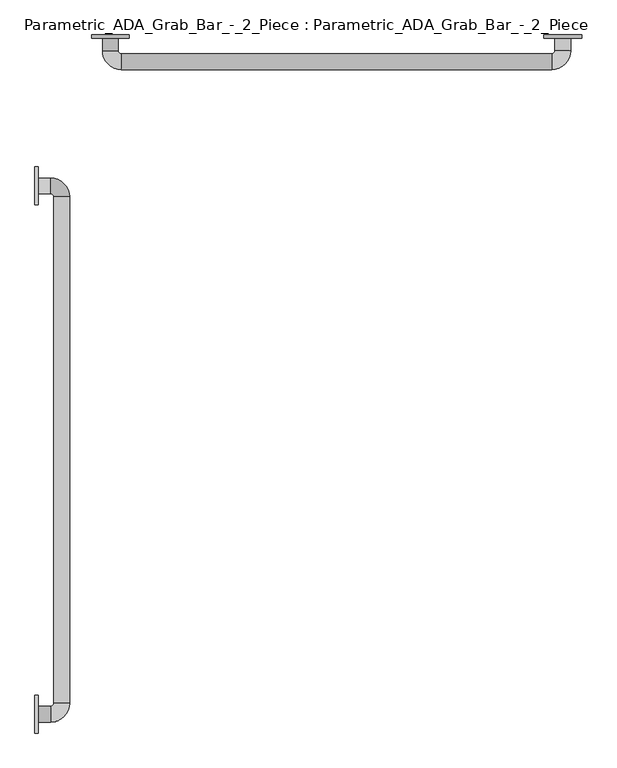
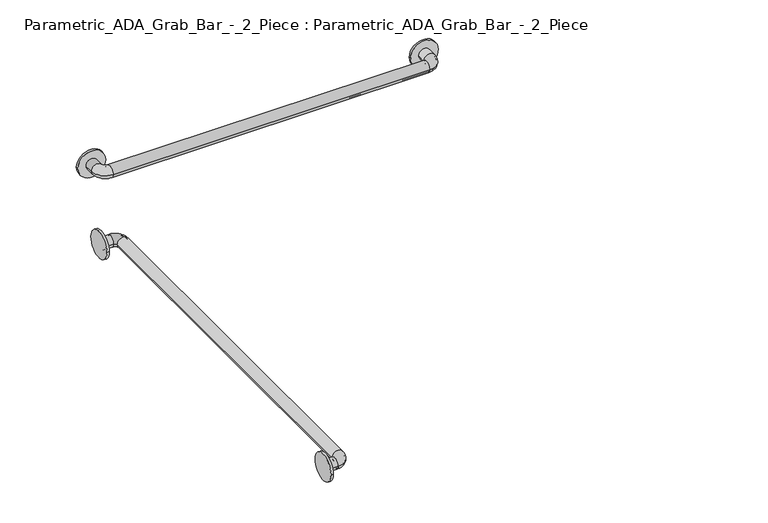
"""IFC4 building model written with IfcOpenShell, lengths in millimetres: proxy geometry, Parametric_ADA_Grab_Bar_-_2_Piece : Parametric_ADA_Grab_Bar_-_2_Piece."""

from ifc_helpers import new_model, si_unit, point, frame, frame_2d, origin, place, context, project, spatial, polyline, circle_curve, ellipse_curve, trimmed, segment, composite_curve, outline, extrude, source, transform, mapped, element, save
from ifc_brep_helpers import plane_surface, cylinder_surface, revolved_surface, advanced_brep


def parametric_ada_grab_bar_2_piece_parametric_ada_grab_bar_2_c1072e23(model_context):
    return source(origin(), model_context, "Body", "SolidModel", [
        advanced_brep(
        [(6.35, -1447.8, 838.2), (6.35, -1479.55, 838.2), (6.35, -1450.975, 838.2), (6.35, -1476.375, 838.2), (31.75, -1479.55, 838.2), (31.75, -1447.8, 838.2), (31.75, -1476.375, 838.2), (31.75, -1450.975, 838.2), (69.85, -1441.45, 838.2), (38.1, -1441.45, 838.2), (66.675, -1441.45, 838.2), (41.275, -1441.45, 838.2), (69.85, -419.1, 838.2), (38.1, -419.1, 838.2), (66.675, -419.1, 838.2), (41.275, -419.1, 838.2), (31.75, -381.0, 838.2), (31.75, -412.75, 838.2), (31.75, -384.175, 838.2), (31.75, -409.575, 838.2), (6.35, -412.75, 838.2), (6.35, -381.0, 838.2), (6.35, -409.575, 838.2), (6.35, -384.175, 838.2)],
        [
            (0, 1, circle_curve(frame((6.35, -1463.675, 838.2), z_axis=(-1.0, 0.0, 0.0), x_axis=(0.0, -1.0, 0.0)), 15.875)),
            (1, 0, circle_curve(frame((6.35, -1463.675, 838.2), z_axis=(-1.0, 0.0, 0.0), x_axis=(0.0, -1.0, 0.0)), 15.875)),
            (2, 3, circle_curve(frame((6.35, -1463.675, 838.2), z_axis=(1.0, 0.0, 0.0), x_axis=(0.0, -1.0, 0.0)), 12.7)),
            (3, 2, circle_curve(frame((6.35, -1463.675, 838.2), z_axis=(1.0, 0.0, 0.0), x_axis=(0.0, -1.0, 0.0)), 12.7)),
            (1, 4),
            (4, 5, circle_curve(frame((31.75, -1463.675, 838.2), z_axis=(-1.0, 0.0, 0.0), x_axis=(0.0, -1.0, 0.0)), 15.875)),
            (5, 0),
            (5, 4, circle_curve(frame((31.75, -1463.675, 838.2), z_axis=(-1.0, 0.0, 0.0), x_axis=(0.0, -1.0, 0.0)), 15.875)),
            (3, 6),
            (6, 7, circle_curve(frame((31.75, -1463.675, 838.2), z_axis=(1.0, 0.0, 0.0), x_axis=(0.0, -1.0, 0.0)), 12.7)),
            (7, 2),
            (7, 6, circle_curve(frame((31.75, -1463.675, 838.2), z_axis=(1.0, 0.0, 0.0), x_axis=(0.0, -1.0, 0.0)), 12.7)),
            (8, 9, circle_curve(frame((53.975, -1441.45, 838.2), z_axis=(0.0, -1.0, 0.0), x_axis=(1.0, 0.0, 0.0)), 15.875)),
            (9, 5, circle_curve(frame((31.75, -1441.45, 838.2), z_axis=(0.0, 0.0, -1.0), x_axis=(0.0, -1.0, 0.0)), 6.35)),
            (4, 8, circle_curve(frame((31.75, -1441.45, 838.2), z_axis=(0.0, 0.0, 1.0), x_axis=(0.0, -1.0, 0.0)), 38.1)),
            (9, 8, circle_curve(frame((53.975, -1441.45, 838.2), z_axis=(0.0, -1.0, 0.0), x_axis=(1.0, 0.0, 0.0)), 15.875)),
            (10, 11, circle_curve(frame((53.975, -1441.45, 838.2), z_axis=(0.0, 1.0, 0.0), x_axis=(1.0, 0.0, 0.0)), 12.7)),
            (11, 7, circle_curve(frame((31.75, -1441.45, 838.2), z_axis=(0.0, 0.0, -1.0), x_axis=(0.0, -1.0, 0.0)), 9.525)),
            (6, 10, circle_curve(frame((31.75, -1441.45, 838.2), z_axis=(0.0, 0.0, 1.0), x_axis=(0.0, -1.0, 0.0)), 34.925)),
            (11, 10, circle_curve(frame((53.975, -1441.45, 838.2), z_axis=(0.0, 1.0, 0.0), x_axis=(1.0, 0.0, 0.0)), 12.7)),
            (8, 12),
            (12, 13, circle_curve(frame((53.975, -419.1, 838.2), z_axis=(0.0, -1.0, 0.0), x_axis=(1.0, 0.0, 0.0)), 15.875)),
            (13, 9),
            (13, 12, circle_curve(frame((53.975, -419.1, 838.2), z_axis=(0.0, -1.0, 0.0), x_axis=(1.0, 0.0, 0.0)), 15.875)),
            (10, 14),
            (14, 15, circle_curve(frame((53.975, -419.1, 838.2), z_axis=(0.0, 1.0, 0.0), x_axis=(1.0, 0.0, 0.0)), 12.7)),
            (15, 11),
            (15, 14, circle_curve(frame((53.975, -419.1, 838.2), z_axis=(0.0, 1.0, 0.0), x_axis=(1.0, 0.0, 0.0)), 12.7)),
            (16, 17, circle_curve(frame((31.75, -396.875, 838.2), z_axis=(1.0, 0.0, 0.0), x_axis=(0.0, 1.0, 0.0)), 15.875)),
            (17, 13, circle_curve(frame((31.75, -419.1, 838.2), z_axis=(0.0, 0.0, -1.0), x_axis=(1.0, 0.0, 0.0)), 6.35)),
            (12, 16, circle_curve(frame((31.75, -419.1, 838.2), z_axis=(0.0, 0.0, 1.0), x_axis=(1.0, 0.0, 0.0)), 38.1)),
            (17, 16, circle_curve(frame((31.75, -396.875, 838.2), z_axis=(1.0, 1.0750558599521398e-12, 0.0), x_axis=(-1.0750558599521398e-12, 1.0, 0.0)), 15.875)),
            (18, 19, circle_curve(frame((31.75, -396.875, 838.2), z_axis=(-1.0, 0.0, 0.0), x_axis=(0.0, 1.0, 0.0)), 12.7)),
            (19, 15, circle_curve(frame((31.75, -419.1, 838.2), z_axis=(0.0, 0.0, -1.0), x_axis=(1.0, 0.0, 0.0)), 9.525)),
            (14, 18, circle_curve(frame((31.75, -419.1, 838.2), z_axis=(0.0, 0.0, 1.0), x_axis=(1.0, 0.0, 0.0)), 34.925)),
            (19, 18, circle_curve(frame((31.75, -396.875, 838.2), z_axis=(-1.0, 0.0, 0.0), x_axis=(0.0, 1.0, 0.0)), 12.7)),
            (20, 21, circle_curve(frame((6.35, -396.875, 838.2), z_axis=(-1.0, 0.0, 0.0), x_axis=(0.0, 1.0, 0.0)), 15.875)),
            (21, 20, circle_curve(frame((6.35, -396.875, 838.2), z_axis=(-1.0, 0.0, 0.0), x_axis=(0.0, 1.0, 0.0)), 15.875)),
            (22, 23, circle_curve(frame((6.35, -396.875, 838.2), z_axis=(1.0, 0.0, 0.0), x_axis=(0.0, 1.0, 0.0)), 12.7)),
            (23, 22, circle_curve(frame((6.35, -396.875, 838.2), z_axis=(1.0, 0.0, 0.0), x_axis=(0.0, 1.0, 0.0)), 12.7)),
            (16, 21),
            (20, 17),
            (18, 23),
            (22, 19),
        ],
        [
            plane_surface(frame((6.35, -1463.675, 838.2), z_axis=(-1.0, 0.0, 0.0), x_axis=(0.0, 0.0, 1.0))),
            cylinder_surface(frame((6.35, -1463.675, 838.2), z_axis=(-1.0, 0.0, 0.0), x_axis=(0.0, -1.0, 0.0)), 15.875),
            revolved_surface(polyline([(31.75, -1476.375, 838.2), (6.35, -1476.375, 838.2)]), (6.35, -1463.675, 838.2), (1.0, 0.0, 0.0)),
            revolved_surface(trimmed(ellipse_curve(frame((31.75, -1463.675, 838.2), z_axis=(1.0, 0.0, 0.0), x_axis=(0.0, -1.0, 0.0)), 15.875, 15.875), [point((31.75, -1447.8, 838.2))], [point((31.75, -1479.55, 838.2))], True, "CARTESIAN"), (31.75, -1441.45, 838.2), (0.0, 0.0, -1.0)),
            revolved_surface(trimmed(ellipse_curve(frame((31.75, -1463.675, 838.2), z_axis=(1.0, 0.0, 0.0), x_axis=(0.0, -1.0, 0.0)), 15.875, 15.875), [point((31.75, -1479.55, 838.2))], [point((31.75, -1447.8, 838.2))], True, "CARTESIAN"), (31.75, -1441.45, 838.2), (0.0, 0.0, -1.0)),
            revolved_surface(trimmed(ellipse_curve(frame((31.75, -1463.675, 838.2), z_axis=(-1.0, 0.0, 0.0), x_axis=(0.0, -1.0, 0.0)), 12.7, 12.7), [point((31.75, -1450.975, 838.2))], [point((31.75, -1476.375, 838.2))], True, "CARTESIAN"), (31.75, -1441.45, 838.2), (0.0, 0.0, -1.0)),
            revolved_surface(trimmed(ellipse_curve(frame((31.75, -1463.675, 838.2), z_axis=(-1.0, 0.0, 0.0), x_axis=(0.0, -1.0, 0.0)), 12.7, 12.7), [point((31.75, -1476.375, 838.2))], [point((31.75, -1450.975, 838.2))], True, "CARTESIAN"), (31.75, -1441.45, 838.2), (0.0, 0.0, -1.0)),
            cylinder_surface(frame((53.975, -1441.45, 838.2), z_axis=(0.0, -1.0, 0.0), x_axis=(1.0, 0.0, 0.0)), 15.875),
            revolved_surface(polyline([(66.675, -419.1, 838.2), (66.675, -1441.45, 838.2)]), (53.975, -1441.45, 838.2), (0.0, 1.0, 0.0)),
            revolved_surface(trimmed(ellipse_curve(frame((53.975, -419.1, 838.2), z_axis=(0.0, 1.0, 0.0), x_axis=(1.0, 0.0, 0.0)), 15.875, 15.875), [point((38.1, -419.1, 838.2))], [point((69.85, -419.1, 838.2))], True, "CARTESIAN"), (31.75, -419.1, 838.2), (0.0, 0.0, -1.0)),
            revolved_surface(trimmed(ellipse_curve(frame((53.975, -419.1, 838.2), z_axis=(0.0, 1.0, 0.0), x_axis=(1.0, 0.0, 0.0)), 15.875, 15.875), [point((69.85, -419.1, 838.2))], [point((38.1, -419.1, 838.2))], True, "CARTESIAN"), (31.75, -419.1, 838.2), (0.0, 0.0, -1.0)),
            revolved_surface(trimmed(ellipse_curve(frame((53.975, -419.1, 838.2), z_axis=(0.0, -1.0, 0.0), x_axis=(1.0, 0.0, 0.0)), 12.7, 12.7), [point((41.275, -419.1, 838.2))], [point((66.675, -419.1, 838.2))], True, "CARTESIAN"), (31.75, -419.1, 838.2), (0.0, 0.0, -1.0)),
            revolved_surface(trimmed(ellipse_curve(frame((53.975, -419.1, 838.2), z_axis=(0.0, -1.0, 0.0), x_axis=(1.0, 0.0, 0.0)), 12.7, 12.7), [point((66.675, -419.1, 838.2))], [point((41.275, -419.1, 838.2))], True, "CARTESIAN"), (31.75, -419.1, 838.2), (0.0, 0.0, -1.0)),
            plane_surface(frame((6.35, -396.875, 838.2), z_axis=(-1.0, 0.0, 0.0), x_axis=(0.0, 0.0, 1.0))),
            cylinder_surface(frame((31.75, -396.875, 838.2), z_axis=(1.0, 0.0, 0.0), x_axis=(0.0, 1.0, 0.0)), 15.875),
            revolved_surface(polyline([(6.350000000000001, -384.175, 838.2), (31.75, -384.175, 838.2)]), (31.75, -396.875, 838.2), (-1.0, 0.0, 0.0)),
        ],
        [
            (0, [[1, 2], [3, 4]]),
            (1, [[5, 6, 7, -2]]),
            (1, [[-7, 8, -5, -1]]),
            (2, [[9, 10, 11, -4]]),
            (2, [[-11, 12, -9, -3]]),
            (3, [[13, 14, -6, 15]]),
            (4, [[16, -15, -8, -14]]),
            (5, [[17, 18, -10, 19]]),
            (6, [[20, -19, -12, -18]]),
            (7, [[21, 22, 23, -13]]),
            (7, [[-23, 24, -21, -16]]),
            (8, [[25, 26, 27, -17]]),
            (8, [[-27, 28, -25, -20]]),
            (9, [[29, 30, -22, 31]]),
            (10, [[32, -31, -24, -30]]),
            (11, [[33, 34, -26, 35]]),
            (12, [[36, -35, -28, -34]]),
            (13, [[37, 38], [39, 40]]),
            (14, [[41, -37, 42, -29]]),
            (14, [[-42, -38, -41, -32]]),
            (15, [[43, -39, 44, -33]]),
            (15, [[-44, -40, -43, -36]]),
        ],
    ),
        advanced_brep(
        [(168.275, -98.425, 838.2), (136.525, -98.425, 838.2), (165.1, -98.425, 838.2), (139.7, -98.425, 838.2), (136.525, -123.825, 838.2), (168.275, -123.825, 838.2), (139.7, -123.825, 838.2), (165.1, -123.825, 838.2), (174.625, -161.925, 838.2), (174.625, -130.175, 838.2), (174.625, -158.75, 838.2), (174.625, -133.35, 838.2), (1044.575, -161.925, 838.2), (1044.575, -130.175, 838.2), (1044.575, -158.75, 838.2), (1044.575, -133.35, 838.2), (1082.675, -123.825, 838.2), (1050.925, -123.825, 838.2), (1079.5, -123.825, 838.2), (1054.1, -123.825, 838.2), (1050.925, -98.425, 838.2), (1082.675, -98.425, 838.2), (1054.1, -98.425, 838.2), (1079.5, -98.425, 838.2)],
        [
            (0, 1, circle_curve(frame((152.4, -98.425, 838.2), z_axis=(0.0, 1.0, 0.0), x_axis=(-1.0, 0.0, 0.0)), 15.875)),
            (1, 0, circle_curve(frame((152.4, -98.425, 838.2), z_axis=(0.0, 1.0, 0.0), x_axis=(-1.0, 0.0, 0.0)), 15.875)),
            (2, 3, circle_curve(frame((152.4, -98.425, 838.2), z_axis=(0.0, -1.0, 0.0), x_axis=(-1.0, 0.0, 0.0)), 12.7)),
            (3, 2, circle_curve(frame((152.4, -98.425, 838.2), z_axis=(0.0, -1.0, 0.0), x_axis=(-1.0, 0.0, 0.0)), 12.7)),
            (1, 4),
            (4, 5, circle_curve(frame((152.4, -123.825, 838.2), z_axis=(0.0, 1.0, 0.0), x_axis=(-1.0, 0.0, 0.0)), 15.875)),
            (5, 0),
            (5, 4, circle_curve(frame((152.4, -123.825, 838.2), z_axis=(0.0, 1.0, 0.0), x_axis=(-1.0, 0.0, 0.0)), 15.875)),
            (3, 6),
            (6, 7, circle_curve(frame((152.4, -123.825, 838.2), z_axis=(0.0, -1.0, 0.0), x_axis=(-1.0, 0.0, 0.0)), 12.7)),
            (7, 2),
            (7, 6, circle_curve(frame((152.4, -123.825, 838.2), z_axis=(0.0, -1.0, 0.0), x_axis=(-1.0, 0.0, 0.0)), 12.7)),
            (8, 9, circle_curve(frame((174.625, -146.05, 838.2), z_axis=(-1.0, 0.0, 0.0), x_axis=(0.0, -1.0, 0.0)), 15.875)),
            (9, 5, circle_curve(frame((174.625, -123.825, 838.2), z_axis=(0.0, 0.0, -1.0), x_axis=(-1.0, 0.0, 0.0)), 6.35)),
            (4, 8, circle_curve(frame((174.625, -123.825, 838.2), z_axis=(0.0, 0.0, 1.0), x_axis=(-1.0, 0.0, 0.0)), 38.1)),
            (9, 8, circle_curve(frame((174.625, -146.05, 838.2), z_axis=(-1.0, 0.0, 0.0), x_axis=(0.0, -1.0, 0.0)), 15.875)),
            (10, 11, circle_curve(frame((174.625, -146.05, 838.2), z_axis=(1.0, 0.0, 0.0), x_axis=(0.0, -1.0, 0.0)), 12.7)),
            (11, 7, circle_curve(frame((174.625, -123.825, 838.2), z_axis=(0.0, 0.0, -1.0), x_axis=(-1.0, 0.0, 0.0)), 9.525)),
            (6, 10, circle_curve(frame((174.625, -123.825, 838.2), z_axis=(0.0, 0.0, 1.0), x_axis=(-1.0, 0.0, 0.0)), 34.925)),
            (11, 10, circle_curve(frame((174.625, -146.05, 838.2), z_axis=(1.0, 0.0, 0.0), x_axis=(0.0, -1.0, 0.0)), 12.7)),
            (8, 12),
            (12, 13, circle_curve(frame((1044.575, -146.05, 838.2), z_axis=(-1.0, 0.0, 0.0), x_axis=(0.0, -1.0, 0.0)), 15.875)),
            (13, 9),
            (13, 12, circle_curve(frame((1044.575, -146.05, 838.2), z_axis=(-1.0, 0.0, 0.0), x_axis=(0.0, -1.0, 0.0)), 15.875)),
            (10, 14),
            (14, 15, circle_curve(frame((1044.575, -146.05, 838.2), z_axis=(1.0, 0.0, 0.0), x_axis=(0.0, -1.0, 0.0)), 12.7)),
            (15, 11),
            (15, 14, circle_curve(frame((1044.575, -146.05, 838.2), z_axis=(1.0, 0.0, 0.0), x_axis=(0.0, -1.0, 0.0)), 12.7)),
            (16, 17, circle_curve(frame((1066.8, -123.825, 838.2), z_axis=(0.0, -1.0, 0.0), x_axis=(1.0, 0.0, 0.0)), 15.875)),
            (17, 13, circle_curve(frame((1044.575, -123.825, 838.2), z_axis=(0.0, 0.0, -1.0), x_axis=(0.0, -1.0, 0.0)), 6.35)),
            (12, 16, circle_curve(frame((1044.575, -123.825, 838.2), z_axis=(0.0, 0.0, 1.0), x_axis=(0.0, -1.0, 0.0)), 38.1)),
            (17, 16, circle_curve(frame((1066.8, -123.825, 838.2), z_axis=(1.0770542613964651e-12, -1.0, 0.0), x_axis=(1.0, 1.0770542613964651e-12, 0.0)), 15.875)),
            (18, 19, circle_curve(frame((1066.8, -123.825, 838.2), z_axis=(0.0, 1.0, 0.0), x_axis=(1.0, 0.0, 0.0)), 12.7)),
            (19, 15, circle_curve(frame((1044.575, -123.825, 838.2), z_axis=(0.0, 0.0, -1.0), x_axis=(0.0, -1.0, 0.0)), 9.525)),
            (14, 18, circle_curve(frame((1044.575, -123.825, 838.2), z_axis=(0.0, 0.0, 1.0), x_axis=(0.0, -1.0, 0.0)), 34.925)),
            (19, 18, circle_curve(frame((1066.8, -123.825, 838.2), z_axis=(0.0, 1.0, 0.0), x_axis=(1.0, 0.0, 0.0)), 12.7)),
            (20, 21, circle_curve(frame((1066.8, -98.425, 838.2), z_axis=(0.0, 1.0, 0.0), x_axis=(1.0, 0.0, 0.0)), 15.875)),
            (21, 20, circle_curve(frame((1066.8, -98.425, 838.2), z_axis=(0.0, 1.0, 0.0), x_axis=(1.0, 0.0, 0.0)), 15.875)),
            (22, 23, circle_curve(frame((1066.8, -98.425, 838.2), z_axis=(0.0, -1.0, 0.0), x_axis=(1.0, 0.0, 0.0)), 12.7)),
            (23, 22, circle_curve(frame((1066.8, -98.425, 838.2), z_axis=(0.0, -1.0, 0.0), x_axis=(1.0, 0.0, 0.0)), 12.7)),
            (16, 21),
            (20, 17),
            (18, 23),
            (22, 19),
        ],
        [
            plane_surface(frame((152.4, -98.425, 838.2), z_axis=(0.0, 1.0, 0.0), x_axis=(0.0, 0.0, 1.0))),
            cylinder_surface(frame((152.4, -98.425, 838.2), z_axis=(0.0, 1.0, 0.0), x_axis=(-1.0, 0.0, 0.0)), 15.875),
            revolved_surface(polyline([(139.70000000000002, -123.825, 838.2), (139.70000000000002, -98.425, 838.2)]), (152.4, -98.425, 838.2), (0.0, -1.0, 0.0)),
            revolved_surface(trimmed(ellipse_curve(frame((152.4, -123.825, 838.2), z_axis=(0.0, -1.0, 0.0), x_axis=(-1.0, 0.0, 0.0)), 15.875, 15.875), [point((168.275, -123.825, 838.2))], [point((136.525, -123.825, 838.2))], True, "CARTESIAN"), (174.625, -123.825, 838.2), (0.0, 0.0, -1.0)),
            revolved_surface(trimmed(ellipse_curve(frame((152.4, -123.825, 838.2), z_axis=(0.0, -1.0, 0.0), x_axis=(-1.0, 0.0, 0.0)), 15.875, 15.875), [point((136.525, -123.825, 838.2))], [point((168.275, -123.825, 838.2))], True, "CARTESIAN"), (174.625, -123.825, 838.2), (0.0, 0.0, -1.0)),
            revolved_surface(trimmed(ellipse_curve(frame((152.4, -123.825, 838.2), z_axis=(0.0, 1.0, 0.0), x_axis=(-1.0, 0.0, 0.0)), 12.7, 12.7), [point((165.1, -123.825, 838.2))], [point((139.7, -123.825, 838.2))], True, "CARTESIAN"), (174.625, -123.825, 838.2), (0.0, 0.0, -1.0)),
            revolved_surface(trimmed(ellipse_curve(frame((152.4, -123.825, 838.2), z_axis=(0.0, 1.0, 0.0), x_axis=(-1.0, 0.0, 0.0)), 12.7, 12.7), [point((139.7, -123.825, 838.2))], [point((165.1, -123.825, 838.2))], True, "CARTESIAN"), (174.625, -123.825, 838.2), (0.0, 0.0, -1.0)),
            cylinder_surface(frame((174.625, -146.05, 838.2), z_axis=(-1.0, 0.0, 0.0), x_axis=(0.0, -1.0, 0.0)), 15.875),
            revolved_surface(polyline([(1044.575, -158.75, 838.2), (174.625, -158.75, 838.2)]), (174.625, -146.05, 838.2), (1.0, 0.0, 0.0)),
            revolved_surface(trimmed(ellipse_curve(frame((1044.575, -146.05, 838.2), z_axis=(1.0, 0.0, 0.0), x_axis=(0.0, -1.0, 0.0)), 15.875, 15.875), [point((1044.575, -130.175, 838.2))], [point((1044.575, -161.925, 838.2))], True, "CARTESIAN"), (1044.575, -123.825, 838.2), (0.0, 0.0, -1.0)),
            revolved_surface(trimmed(ellipse_curve(frame((1044.575, -146.05, 838.2), z_axis=(1.0, 0.0, 0.0), x_axis=(0.0, -1.0, 0.0)), 15.875, 15.875), [point((1044.575, -161.925, 838.2))], [point((1044.575, -130.175, 838.2))], True, "CARTESIAN"), (1044.575, -123.825, 838.2), (0.0, 0.0, -1.0)),
            revolved_surface(trimmed(ellipse_curve(frame((1044.575, -146.05, 838.2), z_axis=(-1.0, 0.0, 0.0), x_axis=(0.0, -1.0, 0.0)), 12.7, 12.7), [point((1044.575, -133.35, 838.2))], [point((1044.575, -158.75, 838.2))], True, "CARTESIAN"), (1044.575, -123.825, 838.2), (0.0, 0.0, -1.0)),
            revolved_surface(trimmed(ellipse_curve(frame((1044.575, -146.05, 838.2), z_axis=(-1.0, 0.0, 0.0), x_axis=(0.0, -1.0, 0.0)), 12.7, 12.7), [point((1044.575, -158.75, 838.2))], [point((1044.575, -133.35, 838.2))], True, "CARTESIAN"), (1044.575, -123.825, 838.2), (0.0, 0.0, -1.0)),
            plane_surface(frame((1066.8, -98.425, 838.2), z_axis=(0.0, 1.0, 0.0), x_axis=(0.0, 0.0, 1.0))),
            cylinder_surface(frame((1066.8, -123.825, 838.2), z_axis=(0.0, -1.0, 0.0), x_axis=(1.0, 0.0, 0.0)), 15.875),
            revolved_surface(polyline([(1079.5, -98.425, 838.2), (1079.5, -123.825, 838.2)]), (1066.8, -123.825, 838.2), (0.0, 1.0, 0.0)),
        ],
        [
            (0, [[1, 2], [3, 4]]),
            (1, [[5, 6, 7, -2]]),
            (1, [[-7, 8, -5, -1]]),
            (2, [[9, 10, 11, -4]]),
            (2, [[-11, 12, -9, -3]]),
            (3, [[13, 14, -6, 15]]),
            (4, [[16, -15, -8, -14]]),
            (5, [[17, 18, -10, 19]]),
            (6, [[20, -19, -12, -18]]),
            (7, [[21, 22, 23, -13]]),
            (7, [[-23, 24, -21, -16]]),
            (8, [[25, 26, 27, -17]]),
            (8, [[-27, 28, -25, -20]]),
            (9, [[29, 30, -22, 31]]),
            (10, [[32, -31, -24, -30]]),
            (11, [[33, 34, -26, 35]]),
            (12, [[36, -35, -28, -34]]),
            (13, [[37, 38], [39, 40]]),
            (14, [[41, -37, 42, -29]]),
            (14, [[-42, -38, -41, -32]]),
            (15, [[43, -39, 44, -33]]),
            (15, [[-44, -40, -43, -36]]),
        ],
    ),
        extrude(outline(composite_curve([segment(trimmed(circle_curve(frame_2d((-396.875, 838.2)), 38.1), [point((-358.775, 838.2))], [point((-434.975, 838.2))], False, "CARTESIAN"), True, "CONTINUOUS"), segment(trimmed(circle_curve(frame_2d((-396.875, 838.2)), 38.1), [point((-434.975, 838.2))], [point((-358.775, 838.2))], False, "CARTESIAN"), True, "CONTINUOUS")], self_intersect=False)), frame((0.0, 0.0, 0.0), z_axis=(1.0, 0.0, 0.0), x_axis=(0.0, 1.0, 0.0)), (0.0, 0.0, 1.0), 6.35),
        extrude(outline(composite_curve([segment(trimmed(circle_curve(frame_2d((-1463.675, 838.2)), 38.1), [point((-1425.575, 838.2))], [point((-1501.775, 838.2))], False, "CARTESIAN"), True, "CONTINUOUS"), segment(trimmed(circle_curve(frame_2d((-1463.675, 838.2)), 38.1), [point((-1501.775, 838.2))], [point((-1425.575, 838.2))], False, "CARTESIAN"), True, "CONTINUOUS")], self_intersect=False)), frame((0.0, 0.0, 0.0), z_axis=(1.0, 0.0, 0.0), x_axis=(0.0, 1.0, 0.0)), (0.0, 0.0, 1.0), 6.35),
        extrude(outline(composite_curve([segment(trimmed(circle_curve(frame_2d((838.2, 1066.8)), 38.1), [point((838.2, 1028.7))], [point((838.2, 1104.9))], False, "CARTESIAN"), True, "CONTINUOUS"), segment(trimmed(circle_curve(frame_2d((838.2, 1066.8)), 38.1), [point((838.2, 1104.9))], [point((838.2, 1028.7))], False, "CARTESIAN"), True, "CONTINUOUS")], self_intersect=False)), frame((0.0, -98.425, 0.0), z_axis=(0.0, 1.0, 0.0), x_axis=(0.0, 0.0, 1.0)), (0.0, 0.0, 1.0), 6.35),
        extrude(outline(composite_curve([segment(trimmed(circle_curve(frame_2d((838.2, 152.4)), 38.1), [point((838.2, 114.3))], [point((838.2, 190.5))], False, "CARTESIAN"), True, "CONTINUOUS"), segment(trimmed(circle_curve(frame_2d((838.2, 152.4)), 38.1), [point((838.2, 190.5))], [point((838.2, 114.3))], False, "CARTESIAN"), True, "CONTINUOUS")], self_intersect=False)), frame((0.0, -98.425, 0.0), z_axis=(0.0, 1.0, 0.0), x_axis=(0.0, 0.0, 1.0)), (0.0, 0.0, 1.0), 6.35),
    ])


if __name__ == "__main__":
    model = new_model("IFC4")
    model_context = context("Model", 3, world=origin())
    ifc_project = project(units=[si_unit("LENGTHUNIT", "METRE", prefix="MILLI")], contexts=[model_context])
    site = spatial("IfcSite", under=ifc_project)
    building = spatial("IfcBuilding", under=site)
    placement = place(None, origin())
    parametric_ada_grab_bar_2_piece_parametric_ada_grab_bar_2_shape = parametric_ada_grab_bar_2_piece_parametric_ada_grab_bar_2_c1072e23(model_context)
    element("IfcBuildingElementProxy", 1, Name="Parametric_ADA_Grab_Bar_-_2_Piece : Parametric_ADA_Grab_Bar_-_2_Piece", ObjectType="Parametric_ADA_Grab_Bar_-_2_Piece : Parametric_ADA_Grab_Bar_-_2_Piece", at=placement, inside=building, context=model_context, shape_type="MappedRepresentation", body=[
        mapped(parametric_ada_grab_bar_2_piece_parametric_ada_grab_bar_2_shape, transform((0.0, 0.0, 0.0), x_axis=(1.0, 0.0, 0.0), y_axis=(0.0, 1.0, 0.0), z_axis=(0.0, 0.0, 1.0))),
    ])
    save(model, "model.ifc")
